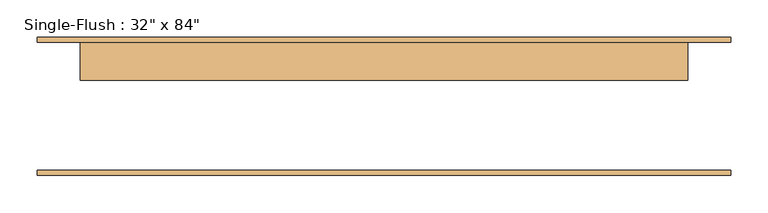
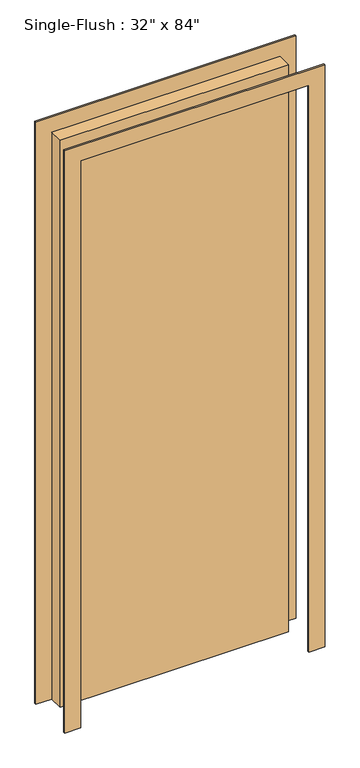
"""IFC4 building model written with IfcOpenShell, lengths in millimetres: door geometry."""

from ifc_helpers import new_model, si_unit, frame, origin, origin_with_axes, place, context, project, spatial, polyline, outline, extrude, source, transform, mapped, element, save


def door_c7a8d8ad(model_context):
    return source(origin(), model_context, "Body", "SweptSolid", [
        extrude(outline(polyline([(2190.75, -463.55), (0.0, -463.55), (0.0, -406.4), (2133.6, -406.4), (2133.6, 406.4), (0.0, 406.4), (0.0, 463.55), (2190.75, 463.55), (2190.75, -463.55)])), frame((0.0, 85.725, 0.0), z_axis=(0.0, 1.0, 0.0), x_axis=(0.0, 0.0, 1.0)), (0.0, 0.0, 1.0), 6.35),
        extrude(outline(polyline([(2190.75, 463.55), (2190.75, -463.55), (0.0, -463.55), (0.0, -406.4), (2133.6, -406.4), (2133.6, 406.4), (0.0, 406.4), (0.0, 463.55), (2190.75, 463.55)])), frame((0.0, -92.075, 0.0), z_axis=(0.0, 1.0, 0.0), x_axis=(0.0, 0.0, 1.0)), (0.0, 0.0, 1.0), 6.35),
        extrude(outline(polyline([(406.4, 34.925), (-406.4, 34.925), (-406.4, 85.725), (406.4, 85.725), (406.4, 34.925)])), origin_with_axes(), (0.0, 0.0, 1.0), 2133.6),
    ])


if __name__ == "__main__":
    model = new_model("IFC4")
    model_context = context("Model", 3, world=origin())
    ifc_project = project(units=[si_unit("LENGTHUNIT", "METRE", prefix="MILLI")], contexts=[model_context])
    site = spatial("IfcSite", under=ifc_project)
    building = spatial("IfcBuilding", under=site)
    placement = place(None, origin())
    door_shape = door_c7a8d8ad(model_context)
    element("IfcDoor", 1, ObjectType="Single-Flush : 32\" x 84\"", at=placement, inside=building, context=model_context, shape_type="MappedRepresentation", body=[
        mapped(door_shape, transform((0.0, 0.0, 0.0), x_axis=(1.0, 0.0, 0.0), y_axis=(0.0, 1.0, 0.0), z_axis=(0.0, 0.0, 1.0))),
    ])
    save(model, "model.ifc")
